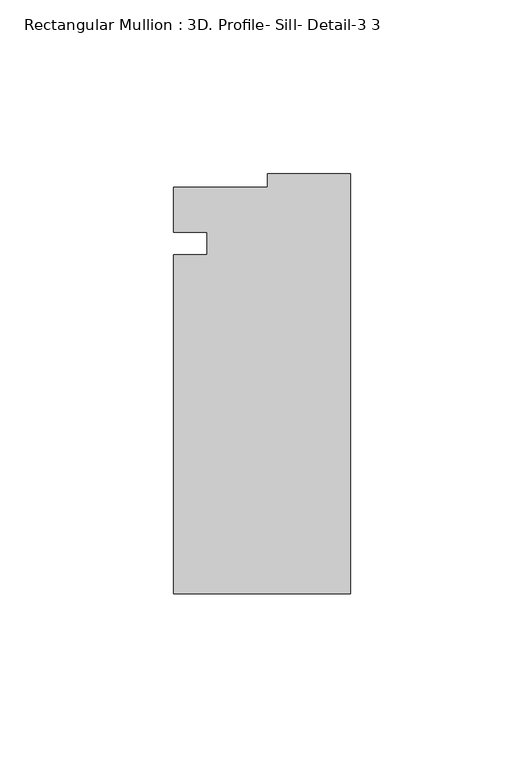
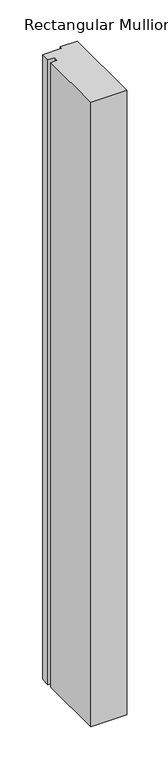
"""IFC4 building model written with IfcOpenShell, lengths in millimetres: member geometry, Rectangular Mullion : 3D. Profile- Sill- Detail-3 3."""

from ifc_helpers import new_model, si_unit, frame, origin, place, context, project, spatial, polyline, outline, extrude, source, transform, mapped, element, save


def rectangular_mullion_3d_profile_sill_detail_3_3_de6a4a6e(model_context):
    return source(origin(), model_context, "Body", "SweptSolid", [
        extrude(outline(polyline([(-50.8, -59.8450925), (-50.8, 37.5800829), (-41.275, 37.5800829), (-41.275, 44.0203213), (-50.7758192, 44.0203213), (-50.7758192, 57.0050675), (-23.7756192, 57.0050675), (-23.7756192, 60.8049075), (0.0, 60.8049075), (0.0, -59.8450925), (-50.8, -59.8450925)])), frame((0.0, 0.0, -928.5784616), z_axis=(0.0, 0.0, 1.0), x_axis=(1.0, 0.0, 0.0)), (0.0, 0.0, 1.0), 928.5784616),
    ])


if __name__ == "__main__":
    model = new_model("IFC4")
    model_context = context("Model", 3, world=origin())
    ifc_project = project(units=[si_unit("LENGTHUNIT", "METRE", prefix="MILLI")], contexts=[model_context])
    site = spatial("IfcSite", under=ifc_project)
    building = spatial("IfcBuilding", under=site)
    placement = place(None, origin())
    rectangular_mullion_3d_profile_sill_detail_3_3_shape = rectangular_mullion_3d_profile_sill_detail_3_3_de6a4a6e(model_context)
    element("IfcMember", 1, ObjectType="Rectangular Mullion : 3D. Profile- Sill- Detail-3 3", at=placement, inside=building, context=model_context, shape_type="MappedRepresentation", body=[
        mapped(rectangular_mullion_3d_profile_sill_detail_3_3_shape, transform((0.0, 0.0, 0.0), x_axis=(1.0, 0.0, 0.0), y_axis=(0.0, 1.0, 0.0), z_axis=(0.0, 0.0, 1.0))),
    ])
    save(model, "model.ifc")
